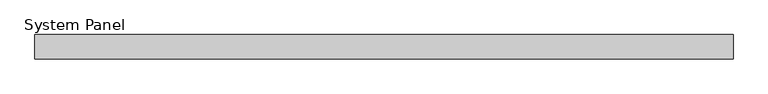
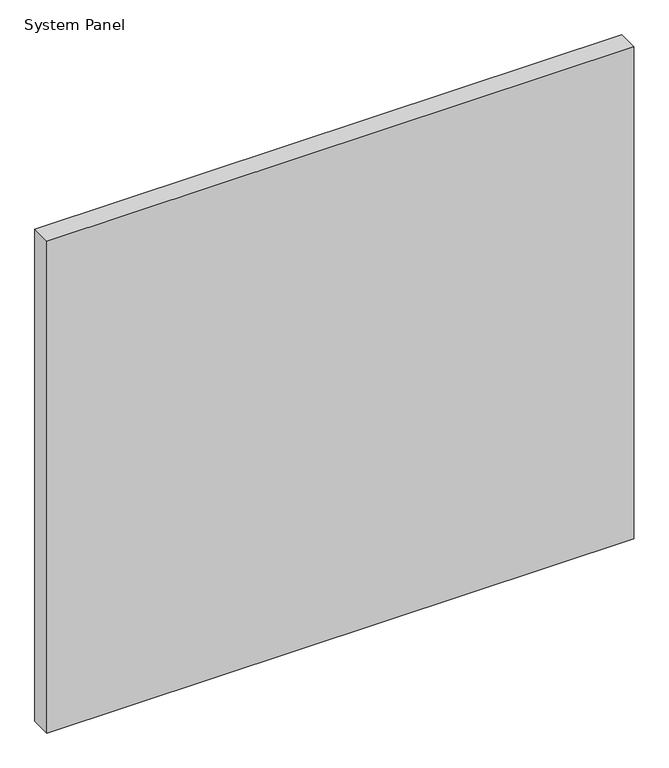
"""IFC4 building model written with IfcOpenShell, lengths in millimetres: plate geometry, System Panel."""

from ifc_helpers import new_model, si_unit, origin, origin_with_axes, place, context, project, spatial, polyline, outline, extrude, source, transform, mapped, element, save


def system_panel_ecc8d60c(model_context):
    return source(origin(), model_context, "Body", "SweptSolid", [
        extrude(outline(polyline([(570.0, 14.0), (-570.0, 14.0), (-570.0, 54.0), (570.0, 54.0), (570.0, 14.0)])), origin_with_axes(), (0.0, 0.0, 1.0), 1010.0),
    ])


if __name__ == "__main__":
    model = new_model("IFC4")
    model_context = context("Model", 3, world=origin())
    ifc_project = project(units=[si_unit("LENGTHUNIT", "METRE", prefix="MILLI")], contexts=[model_context])
    site = spatial("IfcSite", under=ifc_project)
    building = spatial("IfcBuilding", under=site)
    placement = place(None, origin())
    system_panel_shape = system_panel_ecc8d60c(model_context)
    element("IfcPlate", 1, ObjectType="System Panel", at=placement, inside=building, context=model_context, shape_type="MappedRepresentation", body=[
        mapped(system_panel_shape, transform((0.0, 0.0, 0.0), x_axis=(1.0, 0.0, 0.0), y_axis=(0.0, 1.0, 0.0), z_axis=(0.0, 0.0, 1.0))),
    ])
    save(model, "model.ifc")
